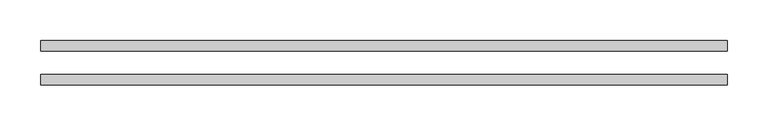
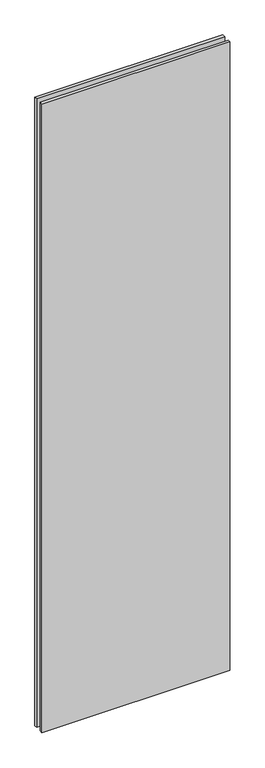
"""IFC4 building model written with IfcOpenShell, lengths in millimetres: plate geometry."""

from ifc_helpers import new_model, si_unit, origin, origin_with_axes, place, context, project, spatial, polyline, outline, extrude, source, transform, mapped, element, save


def plate_c7e47e16(model_context):
    return source(origin(), model_context, "Body", "SweptSolid", [
        extrude(outline(polyline([(419.1, -26.9875), (-419.1, -26.9875), (-419.1, -14.2875), (419.1, -14.2875), (419.1, -26.9875)])), origin_with_axes(), (0.0, 0.0, 1.0), 2965.45),
        extrude(outline(polyline([(419.1, 26.9875), (419.1, 14.2875), (-419.1, 14.2875), (-419.1, 26.9875), (419.1, 26.9875)])), origin_with_axes(), (0.0, 0.0, 1.0), 2965.45),
    ])


if __name__ == "__main__":
    model = new_model("IFC4")
    model_context = context("Model", 3, world=origin())
    ifc_project = project(units=[si_unit("LENGTHUNIT", "METRE", prefix="MILLI")], contexts=[model_context])
    site = spatial("IfcSite", under=ifc_project)
    building = spatial("IfcBuilding", under=site)
    placement = place(None, origin())
    plate_shape = plate_c7e47e16(model_context)
    element("IfcPlate", 1, at=placement, inside=building, context=model_context, shape_type="MappedRepresentation", body=[
        mapped(plate_shape, transform((0.0, 0.0, 0.0), x_axis=(1.0, 0.0, 0.0), y_axis=(0.0, 1.0, 0.0), z_axis=(0.0, 0.0, 1.0))),
    ])
    save(model, "model.ifc")
